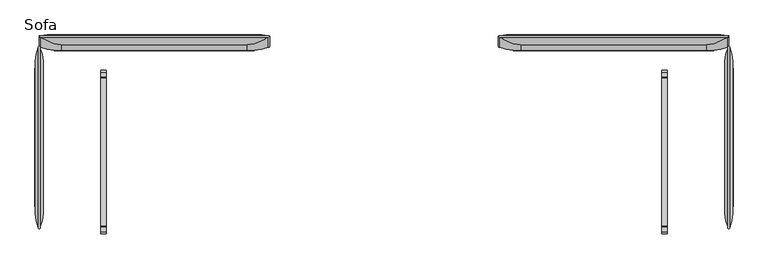
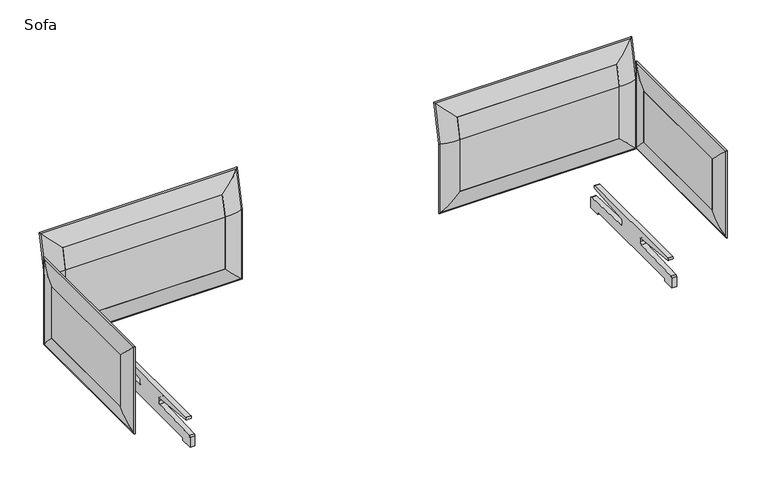
"""IFC4 building model written with IfcOpenShell, lengths in millimetres: furniture geometry, Sofa."""

from ifc_helpers import new_model, si_unit, point, frame, frame_2d, origin, place, context, project, spatial, polyline, circle_curve, ellipse_curve, trimmed, segment, composite_curve, outline, extrude, source, transform, mapped, element, save
from ifc_brep_helpers import plane_surface, cylinder_surface, advanced_brep


def sofa_ffcd8a0a(model_context):
    return source(origin(), model_context, "Body", "SolidModel", [
        advanced_brep(
        [(1524.9325846, 434.791915, 160.8686683), (1524.9325846, 441.508085, 160.8686683), (1524.9325846, 441.508085, 535.118038), (1524.9325846, 434.791915, 535.8533616), (1431.8012529, 420.0470019, 254.0), (1431.8012529, 420.0470019, 537.4677167), (1431.8012529, 456.2529981, 254.0), (1431.8012529, 444.0363367, 645.7092667), (1431.8012529, 479.3846058, 637.8751081), (1431.8012529, 456.2529981, 533.503683), (1524.9325846, 485.1405159, 731.9906058), (1524.9325846, 478.5834533, 733.4438331), (513.2936683, 485.1405159, 731.9906058), (513.2936683, 478.5834533, 733.4438331), (606.425, 444.0363367, 645.7092667), (606.425, 479.3846058, 637.8751081), (513.2936683, 441.508085, 535.118038), (513.2936683, 434.791915, 535.8533616), (606.425, 420.0470019, 537.4677167), (606.425, 420.0470019, 254.0), (606.425, 456.2529981, 254.0), (606.425, 456.2529981, 533.503683), (513.2936683, 441.508085, 160.8686683), (513.2936683, 434.791915, 160.8686683)],
        [
            (0, 1, ellipse_curve(frame((1526.5506984, 438.15, 159.2505545), z_axis=(0.7071067811865478, 0.0, 0.7071067811865474), x_axis=(0.7071067811865474, 0.0, -0.7071067811865476)), 5.2716273, 3.7276034)),
            (1, 2),
            (2, 3, ellipse_curve(frame((1526.5506984, 438.15, 535.4856998), z_axis=(0.0, -0.1088351909109808, -0.9940598076672098), x_axis=(0.0, 0.9940598076672097, -0.10883519091098363)), 3.7498784, 3.7276034)),
            (3, 0),
            (4, 0, ellipse_curve(frame((1450.4979816, 603.4443158, 235.3032714), z_axis=(0.7071067811865478, 0.0, 0.7071067811865474), x_axis=(0.7071067811865474, 0.0, -0.7071067811865476)), 260.707278, 184.3478842)),
            (3, 5, ellipse_curve(frame((1450.4979816, 603.4443158, 517.3883598), z_axis=(0.0, -0.1088351909109808, -0.9940598076672098), x_axis=(0.0, 0.9940598076672097, -0.10883519091098363)), 185.4494898, 184.3478842)),
            (5, 4),
            (6, 4),
            (5, 7),
            (7, 8),
            (8, 9),
            (9, 6),
            (1, 6, ellipse_curve(frame((1450.4979816, 272.8556842, 235.3032714), z_axis=(0.7071067811865478, 0.0, 0.7071067811865474), x_axis=(0.7071067811865474, 0.0, -0.7071067811865476)), 260.707278, 184.3478842)),
            (9, 2, ellipse_curve(frame((1450.4979816, 272.8556842, 553.5830399), z_axis=(0.0, -0.1088351909109808, -0.9940598076672098), x_axis=(0.0, 0.9940598076672097, -0.10883519091098363)), 185.4494898, 184.3478842)),
            (2, 10),
            (10, 11, ellipse_curve(frame((1526.5506984, 482.2121078, 734.2969999), z_axis=(0.7071067811865469, -0.15300191120052808, -0.6903552818433322), x_axis=(-0.7071067811865481, -0.15300191120052536, -0.6903552818433315)), 5.2716273, 3.7276034)),
            (11, 3),
            (11, 7, ellipse_curve(frame((1450.4979816, 627.1344811, 624.2800362), z_axis=(0.7071067811865469, -0.15300191120052808, -0.6903552818433322), x_axis=(-0.7071067811865481, -0.15300191120052536, -0.6903552818433315)), 260.707278, 184.3478842)),
            (8, 10, ellipse_curve(frame((1450.4979816, 304.3775596, 695.8119375), z_axis=(0.7071067811865469, -0.15300191120052808, -0.6903552818433322), x_axis=(-0.7071067811865481, -0.15300191120052536, -0.6903552818433315)), 260.707278, 184.3478842)),
            (10, 12),
            (12, 13, ellipse_curve(frame((511.6755545, 482.2121078, 734.2969999), z_axis=(0.7071067811865481, 0.15300191120052536, 0.6903552818433316), x_axis=(0.7071067811865468, -0.15300191120052803, -0.6903552818433321)), 5.2716273, 3.7276034)),
            (13, 11),
            (13, 14, ellipse_curve(frame((587.7282714, 627.1344811, 624.2800362), z_axis=(0.7071067811865481, 0.15300191120052536, 0.6903552818433316), x_axis=(0.7071067811865468, -0.15300191120052803, -0.6903552818433321)), 260.707278, 184.3478842)),
            (14, 7),
            (14, 15),
            (15, 8),
            (15, 12, ellipse_curve(frame((587.7282714, 304.3775596, 695.8119375), z_axis=(0.7071067811865481, 0.15300191120052536, 0.6903552818433316), x_axis=(0.7071067811865468, -0.15300191120052803, -0.6903552818433321)), 260.707278, 184.3478842)),
            (12, 16),
            (16, 17, ellipse_curve(frame((511.6755545, 438.15, 535.4856998), z_axis=(0.0, 0.10883519091098079, 0.99405980766721), x_axis=(0.0, 0.9940598076672099, -0.10883519091098157)), 3.7498784, 3.7276034)),
            (17, 13),
            (17, 18, ellipse_curve(frame((587.7282714, 603.4443158, 517.3883598), z_axis=(0.0, 0.10883519091098079, 0.99405980766721), x_axis=(0.0, 0.9940598076672099, -0.10883519091098157)), 185.4494898, 184.3478842)),
            (18, 14),
            (18, 19),
            (19, 20),
            (20, 21),
            (21, 15),
            (21, 16, ellipse_curve(frame((587.7282714, 272.8556842, 553.5830399), z_axis=(0.0, 0.10883519091098079, 0.99405980766721), x_axis=(0.0, 0.9940598076672099, -0.10883519091098157)), 185.4494898, 184.3478842)),
            (16, 22),
            (22, 23, ellipse_curve(frame((511.6755545, 438.15, 159.2505545), z_axis=(-0.7071067811865474, 0.0, 0.7071067811865476), x_axis=(0.7071067811865475, 0.0, 0.7071067811865475)), 5.2716273, 3.7276034)),
            (23, 17),
            (23, 19, ellipse_curve(frame((587.7282714, 603.4443158, 235.3032714), z_axis=(-0.7071067811865474, 0.0, 0.7071067811865476), x_axis=(0.7071067811865475, 0.0, 0.7071067811865475)), 260.707278, 184.3478842)),
            (20, 22, ellipse_curve(frame((587.7282714, 272.8556842, 235.3032714), z_axis=(-0.7071067811865474, 0.0, 0.7071067811865476), x_axis=(0.7071067811865475, 0.0, 0.7071067811865475)), 260.707278, 184.3478842)),
            (22, 1),
            (0, 23),
            (4, 19),
            (6, 20),
        ],
        [
            cylinder_surface(frame((1526.5506984, 438.15, 254.0), z_axis=(0.0, 0.0, -1.0), x_axis=(0.0, -1.0, 0.0)), 3.7276034),
            cylinder_surface(frame((1450.4979816, 603.4443158, 254.0), z_axis=(0.0, 0.0, -1.0), x_axis=(0.0, -1.0, 0.0)), 184.3478842),
            plane_surface(frame((1431.8012529, 420.0470019, 254.0), z_axis=(-1.0, 0.0, 0.0), x_axis=(0.0, 0.0, 1.0))),
            cylinder_surface(frame((1450.4979816, 272.8556842, 254.0), z_axis=(0.0, 0.0, -1.0), x_axis=(0.0, -1.0, 0.0)), 184.3478842),
            cylinder_surface(frame((1526.5506984, 438.5788636, 537.4207623), z_axis=(0.0, -0.21637737788878886, -0.9763098024387404), x_axis=(0.0, -0.9763098024387404, 0.21637737788878886)), 3.7276034),
            cylinder_surface(frame((1450.4979816, 599.9573244, 501.6548117), z_axis=(0.0, -0.21637737788878886, -0.9763098024387404), x_axis=(0.0, -0.9763098024387404, 0.21637737788878886)), 184.3478842),
            cylinder_surface(frame((1450.4979816, 277.2004028, 573.1867129), z_axis=(0.0, -0.21637737788878886, -0.9763098024387404), x_axis=(0.0, -0.9763098024387404, 0.21637737788878886)), 184.3478842),
            cylinder_surface(frame((1431.8012529, 482.2121078, 734.2969999), z_axis=(1.0000000000000002, 0.0, 0.0), x_axis=(0.0, -0.97630980243874, 0.21637737788879094)), 3.7276034),
            cylinder_surface(frame((1431.8012529, 627.1344811, 624.2800362), z_axis=(1.0000000000000002, 0.0, 0.0), x_axis=(0.0, -0.97630980243874, 0.21637737788879094)), 184.3478842),
            plane_surface(frame((1431.8012529, 444.0363367, 645.7092667), z_axis=(0.0, -0.21637737788879094, -0.97630980243874), x_axis=(-1.0, 0.0, 0.0))),
            cylinder_surface(frame((1431.8012529, 304.3775596, 695.8119375), z_axis=(1.0000000000000002, 0.0, 0.0), x_axis=(0.0, -0.97630980243874, 0.21637737788879094)), 184.3478842),
            cylinder_surface(frame((511.6755545, 461.7104712, 641.7921874), z_axis=(0.0, 0.21637737788878883, 0.9763098024387404), x_axis=(0.0, -0.9763098024387404, 0.21637737788878883)), 3.7276034),
            cylinder_surface(frame((587.7282714, 623.088932, 606.0262368), z_axis=(0.0, 0.21637737788878883, 0.9763098024387404), x_axis=(0.0, -0.9763098024387404, 0.21637737788878883)), 184.3478842),
            plane_surface(frame((606.425, 444.0363367, 645.7092667), z_axis=(1.0, 0.0, 0.0), x_axis=(0.0, -0.21637737788878877, -0.9763098024387404))),
            cylinder_surface(frame((587.7282714, 300.3320105, 677.558138), z_axis=(0.0, 0.21637737788878883, 0.9763098024387404), x_axis=(0.0, -0.9763098024387404, 0.21637737788878883)), 184.3478842),
            cylinder_surface(frame((511.6755545, 438.15, 533.503683), z_axis=(0.0, 0.0, 1.0), x_axis=(0.0, -1.0, 0.0)), 3.7276034),
            cylinder_surface(frame((587.7282714, 603.4443158, 533.503683), z_axis=(0.0, 0.0, 1.0), x_axis=(0.0, -1.0, 0.0)), 184.3478842),
            cylinder_surface(frame((587.7282714, 272.8556842, 533.503683), z_axis=(0.0, 0.0, 1.0), x_axis=(0.0, -1.0, 0.0)), 184.3478842),
            cylinder_surface(frame((606.425, 438.15, 159.2505545), z_axis=(-1.0, 0.0, 0.0), x_axis=(0.0, -1.0, 0.0)), 3.7276034),
            cylinder_surface(frame((606.425, 603.4443158, 235.3032714), z_axis=(-1.0, 0.0, 0.0), x_axis=(0.0, -1.0, 0.0)), 184.3478842),
            plane_surface(frame((606.425, 420.0470019, 254.0), z_axis=(0.0, 0.0, 1.0), x_axis=(1.0, 0.0, 0.0))),
            cylinder_surface(frame((606.425, 272.8556842, 235.3032714), z_axis=(-1.0, 0.0, 0.0), x_axis=(0.0, -1.0, 0.0)), 184.3478842),
        ],
        [
            (0, [[1, 2, 3, 4]]),
            (1, [[5, -4, 6, 7]]),
            (2, [[8, -7, 9, 10, 11, 12]]),
            (3, [[13, -12, 14, -2]]),
            (4, [[-3, 15, 16, 17]]),
            (5, [[-6, -17, 18, -9]]),
            (6, [[-14, -11, 19, -15]]),
            (7, [[-16, 20, 21, 22]]),
            (8, [[-18, -22, 23, 24]]),
            (9, [[-10, -24, 25, 26]]),
            (10, [[-19, -26, 27, -20]]),
            (11, [[-21, 28, 29, 30]]),
            (12, [[-23, -30, 31, 32]]),
            (13, [[-25, -32, 33, 34, 35, 36]]),
            (14, [[-27, -36, 37, -28]]),
            (15, [[-29, 38, 39, 40]]),
            (16, [[-31, -40, 41, -33]]),
            (17, [[-37, -35, 42, -38]]),
            (18, [[-39, 43, -1, 44]]),
            (19, [[-41, -44, -5, 45]]),
            (20, [[-34, -45, -8, 46]]),
            (21, [[-42, -46, -13, -43]]),
        ],
    ),
        extrude(outline(polyline([(456.2529981, 533.503683), (456.2529981, 254.0), (420.0470019, 254.0), (420.0470019, 537.4677167), (444.0363367, 645.7092667), (479.3846058, 637.8751081), (456.2529981, 533.503683)])), frame((606.425, 0.0, 0.0), z_axis=(1.0, 0.0, 0.0), x_axis=(0.0, 1.0, 0.0)), (0.0, 0.0, 1.0), 825.3762529),
        advanced_brep(
        [(-513.4174154, 434.791915, 160.8686683), (-513.4174154, 441.508085, 160.8686683), (-513.4174154, 441.508085, 535.118038), (-513.4174154, 434.791915, 535.8533616), (-606.5487471, 420.0470019, 254.0), (-606.5487471, 420.0470019, 537.4677167), (-606.5487471, 456.2529981, 254.0), (-606.5487471, 444.0363367, 645.7092667), (-606.5487471, 479.3846058, 637.8751081), (-606.5487471, 456.2529981, 533.503683), (-513.4174154, 485.1405159, 731.9906058), (-513.4174154, 478.5834533, 733.4438331), (-1525.0563317, 485.1405159, 731.9906058), (-1525.0563317, 478.5834533, 733.4438331), (-1431.925, 444.0363367, 645.7092667), (-1431.925, 479.3846058, 637.8751081), (-1525.0563317, 441.508085, 535.118038), (-1525.0563317, 434.791915, 535.8533616), (-1431.925, 420.0470019, 537.4677167), (-1431.925, 420.0470019, 254.0), (-1431.925, 456.2529981, 254.0), (-1431.925, 456.2529981, 533.503683), (-1525.0563317, 441.508085, 160.8686683), (-1525.0563317, 434.791915, 160.8686683)],
        [
            (0, 1, ellipse_curve(frame((-511.7993016, 438.15, 159.2505545), z_axis=(0.7071067811865478, 0.0, 0.7071067811865474), x_axis=(0.7071067811865474, 0.0, -0.7071067811865476)), 5.2716273, 3.7276034)),
            (1, 2),
            (2, 3, ellipse_curve(frame((-511.7993016, 438.15, 535.4856998), z_axis=(0.0, -0.1088351909109808, -0.9940598076672098), x_axis=(0.0, 0.9940598076672097, -0.10883519091098363)), 3.7498784, 3.7276034)),
            (3, 0),
            (4, 0, ellipse_curve(frame((-587.8520184, 603.4443158, 235.3032714), z_axis=(0.7071067811865478, 0.0, 0.7071067811865474), x_axis=(0.7071067811865474, 0.0, -0.7071067811865476)), 260.707278, 184.3478842)),
            (3, 5, ellipse_curve(frame((-587.8520184, 603.4443158, 517.3883598), z_axis=(0.0, -0.1088351909109808, -0.9940598076672098), x_axis=(0.0, 0.9940598076672097, -0.10883519091098363)), 185.4494898, 184.3478842)),
            (5, 4),
            (6, 4),
            (5, 7),
            (7, 8),
            (8, 9),
            (9, 6),
            (1, 6, ellipse_curve(frame((-587.8520184, 272.8556842, 235.3032714), z_axis=(0.7071067811865478, 0.0, 0.7071067811865474), x_axis=(0.7071067811865474, 0.0, -0.7071067811865476)), 260.707278, 184.3478842)),
            (9, 2, ellipse_curve(frame((-587.8520184, 272.8556842, 553.5830399), z_axis=(0.0, -0.1088351909109808, -0.9940598076672098), x_axis=(0.0, 0.9940598076672097, -0.10883519091098363)), 185.4494898, 184.3478842)),
            (2, 10),
            (10, 11, ellipse_curve(frame((-511.7993016, 482.2121078, 734.2969999), z_axis=(0.7071067811865469, -0.15300191120052808, -0.6903552818433322), x_axis=(-0.7071067811865481, -0.15300191120052536, -0.6903552818433315)), 5.2716273, 3.7276034)),
            (11, 3),
            (11, 7, ellipse_curve(frame((-587.8520184, 627.1344811, 624.2800362), z_axis=(0.7071067811865469, -0.15300191120052808, -0.6903552818433322), x_axis=(-0.7071067811865481, -0.15300191120052536, -0.6903552818433315)), 260.707278, 184.3478842)),
            (8, 10, ellipse_curve(frame((-587.8520184, 304.3775596, 695.8119375), z_axis=(0.7071067811865469, -0.15300191120052808, -0.6903552818433322), x_axis=(-0.7071067811865481, -0.15300191120052536, -0.6903552818433315)), 260.707278, 184.3478842)),
            (10, 12),
            (12, 13, ellipse_curve(frame((-1526.6744455, 482.2121078, 734.2969999), z_axis=(0.7071067811865481, 0.15300191120052536, 0.6903552818433316), x_axis=(0.7071067811865468, -0.15300191120052803, -0.6903552818433321)), 5.2716273, 3.7276034)),
            (13, 11),
            (13, 14, ellipse_curve(frame((-1450.6217286, 627.1344811, 624.2800362), z_axis=(0.7071067811865481, 0.15300191120052536, 0.6903552818433316), x_axis=(0.7071067811865468, -0.15300191120052803, -0.6903552818433321)), 260.707278, 184.3478842)),
            (14, 7),
            (14, 15),
            (15, 8),
            (15, 12, ellipse_curve(frame((-1450.6217286, 304.3775596, 695.8119375), z_axis=(0.7071067811865481, 0.15300191120052536, 0.6903552818433316), x_axis=(0.7071067811865468, -0.15300191120052803, -0.6903552818433321)), 260.707278, 184.3478842)),
            (12, 16),
            (16, 17, ellipse_curve(frame((-1526.6744455, 438.15, 535.4856998), z_axis=(0.0, 0.10883519091098079, 0.99405980766721), x_axis=(0.0, 0.9940598076672099, -0.10883519091098157)), 3.7498784, 3.7276034)),
            (17, 13),
            (17, 18, ellipse_curve(frame((-1450.6217286, 603.4443158, 517.3883598), z_axis=(0.0, 0.10883519091098079, 0.99405980766721), x_axis=(0.0, 0.9940598076672099, -0.10883519091098157)), 185.4494898, 184.3478842)),
            (18, 14),
            (18, 19),
            (19, 20),
            (20, 21),
            (21, 15),
            (21, 16, ellipse_curve(frame((-1450.6217286, 272.8556842, 553.5830399), z_axis=(0.0, 0.10883519091098079, 0.99405980766721), x_axis=(0.0, 0.9940598076672099, -0.10883519091098157)), 185.4494898, 184.3478842)),
            (16, 22),
            (22, 23, ellipse_curve(frame((-1526.6744455, 438.15, 159.2505545), z_axis=(-0.7071067811865474, 0.0, 0.7071067811865476), x_axis=(0.7071067811865475, 0.0, 0.7071067811865475)), 5.2716273, 3.7276034)),
            (23, 17),
            (23, 19, ellipse_curve(frame((-1450.6217286, 603.4443158, 235.3032714), z_axis=(-0.7071067811865474, 0.0, 0.7071067811865476), x_axis=(0.7071067811865475, 0.0, 0.7071067811865475)), 260.707278, 184.3478842)),
            (20, 22, ellipse_curve(frame((-1450.6217286, 272.8556842, 235.3032714), z_axis=(-0.7071067811865474, 0.0, 0.7071067811865476), x_axis=(0.7071067811865475, 0.0, 0.7071067811865475)), 260.707278, 184.3478842)),
            (22, 1),
            (0, 23),
            (4, 19),
            (6, 20),
        ],
        [
            cylinder_surface(frame((-511.7993016, 438.15, 254.0), z_axis=(0.0, 0.0, -1.0), x_axis=(0.0, -1.0, 0.0)), 3.7276034),
            cylinder_surface(frame((-587.8520184, 603.4443158, 254.0), z_axis=(0.0, 0.0, -1.0), x_axis=(0.0, -1.0, 0.0)), 184.3478842),
            plane_surface(frame((-606.5487471, 420.0470019, 254.0), z_axis=(-1.0, 0.0, 0.0), x_axis=(0.0, 0.0, 1.0))),
            cylinder_surface(frame((-587.8520184, 272.8556842, 254.0), z_axis=(0.0, 0.0, -1.0), x_axis=(0.0, -1.0, 0.0)), 184.3478842),
            cylinder_surface(frame((-511.7993016, 438.5788636, 537.4207623), z_axis=(0.0, -0.21637737788878886, -0.9763098024387404), x_axis=(0.0, -0.9763098024387404, 0.21637737788878886)), 3.7276034),
            cylinder_surface(frame((-587.8520184, 599.9573244, 501.6548117), z_axis=(0.0, -0.21637737788878886, -0.9763098024387404), x_axis=(0.0, -0.9763098024387404, 0.21637737788878886)), 184.3478842),
            cylinder_surface(frame((-587.8520184, 277.2004028, 573.1867129), z_axis=(0.0, -0.21637737788878886, -0.9763098024387404), x_axis=(0.0, -0.9763098024387404, 0.21637737788878886)), 184.3478842),
            cylinder_surface(frame((-606.5487471, 482.2121078, 734.2969999), z_axis=(1.0000000000000002, 0.0, 0.0), x_axis=(0.0, -0.97630980243874, 0.21637737788879094)), 3.7276034),
            cylinder_surface(frame((-606.5487471, 627.1344811, 624.2800362), z_axis=(1.0000000000000002, 0.0, 0.0), x_axis=(0.0, -0.97630980243874, 0.21637737788879094)), 184.3478842),
            plane_surface(frame((-606.5487471, 444.0363367, 645.7092667), z_axis=(0.0, -0.21637737788879094, -0.97630980243874), x_axis=(-1.0, 0.0, 0.0))),
            cylinder_surface(frame((-606.5487471, 304.3775596, 695.8119375), z_axis=(1.0000000000000002, 0.0, 0.0), x_axis=(0.0, -0.97630980243874, 0.21637737788879094)), 184.3478842),
            cylinder_surface(frame((-1526.6744455, 461.7104712, 641.7921874), z_axis=(0.0, 0.21637737788878883, 0.9763098024387404), x_axis=(0.0, -0.9763098024387404, 0.21637737788878883)), 3.7276034),
            cylinder_surface(frame((-1450.6217286, 623.088932, 606.0262368), z_axis=(0.0, 0.21637737788878883, 0.9763098024387404), x_axis=(0.0, -0.9763098024387404, 0.21637737788878883)), 184.3478842),
            plane_surface(frame((-1431.925, 444.0363367, 645.7092667), z_axis=(1.0, 0.0, 0.0), x_axis=(0.0, -0.21637737788878877, -0.9763098024387404))),
            cylinder_surface(frame((-1450.6217286, 300.3320105, 677.558138), z_axis=(0.0, 0.21637737788878883, 0.9763098024387404), x_axis=(0.0, -0.9763098024387404, 0.21637737788878883)), 184.3478842),
            cylinder_surface(frame((-1526.6744455, 438.15, 533.503683), z_axis=(0.0, 0.0, 1.0), x_axis=(0.0, -1.0, 0.0)), 3.7276034),
            cylinder_surface(frame((-1450.6217286, 603.4443158, 533.503683), z_axis=(0.0, 0.0, 1.0), x_axis=(0.0, -1.0, 0.0)), 184.3478842),
            cylinder_surface(frame((-1450.6217286, 272.8556842, 533.503683), z_axis=(0.0, 0.0, 1.0), x_axis=(0.0, -1.0, 0.0)), 184.3478842),
            cylinder_surface(frame((-1431.925, 438.15, 159.2505545), z_axis=(-1.0, 0.0, 0.0), x_axis=(0.0, -1.0, 0.0)), 3.7276034),
            cylinder_surface(frame((-1431.925, 603.4443158, 235.3032714), z_axis=(-1.0, 0.0, 0.0), x_axis=(0.0, -1.0, 0.0)), 184.3478842),
            plane_surface(frame((-1431.925, 420.0470019, 254.0), z_axis=(0.0, 0.0, 1.0), x_axis=(1.0, 0.0, 0.0))),
            cylinder_surface(frame((-1431.925, 272.8556842, 235.3032714), z_axis=(-1.0, 0.0, 0.0), x_axis=(0.0, -1.0, 0.0)), 184.3478842),
        ],
        [
            (0, [[1, 2, 3, 4]]),
            (1, [[5, -4, 6, 7]]),
            (2, [[8, -7, 9, 10, 11, 12]]),
            (3, [[13, -12, 14, -2]]),
            (4, [[-3, 15, 16, 17]]),
            (5, [[-6, -17, 18, -9]]),
            (6, [[-14, -11, 19, -15]]),
            (7, [[-16, 20, 21, 22]]),
            (8, [[-18, -22, 23, 24]]),
            (9, [[-10, -24, 25, 26]]),
            (10, [[-19, -26, 27, -20]]),
            (11, [[-21, 28, 29, 30]]),
            (12, [[-23, -30, 31, 32]]),
            (13, [[-25, -32, 33, 34, 35, 36]]),
            (14, [[-27, -36, 37, -28]]),
            (15, [[-29, 38, 39, 40]]),
            (16, [[-31, -40, 41, -33]]),
            (17, [[-37, -35, 42, -38]]),
            (18, [[-39, 43, -1, 44]]),
            (19, [[-41, -44, -5, 45]]),
            (20, [[-34, -45, -8, 46]]),
            (21, [[-42, -46, -13, -43]]),
        ],
    ),
        extrude(outline(polyline([(456.2529981, 533.503683), (456.2529981, 254.0), (420.0470019, 254.0), (420.0470019, 537.4677167), (444.0363367, 645.7092667), (479.3846058, 637.8751081), (456.2529981, 533.503683)])), frame((-1431.925, 0.0, 0.0), z_axis=(1.0, 0.0, 0.0), x_axis=(0.0, 1.0, 0.0)), (0.0, 0.0, 1.0), 825.3762529),
        advanced_brep(
        [(1512.2470019, -273.05, 533.4), (1512.2470019, -273.05, 254.0), (1526.991915, -366.1813317, 160.8686683), (1526.991915, -366.1813317, 626.5313317), (1548.4529981, -273.05, 533.4), (1548.4529981, -273.05, 254.0), (1533.708085, -366.1813317, 626.5313317), (1533.708085, -366.1813317, 160.8686683), (1512.2470019, 339.725, 254.0), (1526.991915, 432.8563317, 160.8686683), (1548.4529981, 339.725, 254.0), (1533.708085, 432.8563317, 160.8686683), (1512.2470019, 339.725, 533.4), (1526.991915, 432.8563317, 626.5313317), (1548.4529981, 339.725, 533.4), (1533.708085, 432.8563317, 626.5313317)],
        [
            (0, 1),
            (1, 2, ellipse_curve(frame((1695.6443158, -291.7467286, 235.3032714), z_axis=(0.0, -0.7071067811865475, 0.7071067811865475), x_axis=(0.0, 0.7071067811865474, 0.7071067811865476)), 260.707278, 184.3478842)),
            (2, 3),
            (3, 0, ellipse_curve(frame((1695.6443158, -291.7467286, 552.0967286), z_axis=(0.0, -0.7071067811865475, -0.7071067811865475), x_axis=(0.0, -0.7071067811865474, 0.7071067811865476)), 260.707278, 184.3478842)),
            (4, 5),
            (5, 1),
            (0, 4),
            (6, 7),
            (7, 5, ellipse_curve(frame((1365.0556842, -291.7467286, 235.3032714), z_axis=(0.0, -0.7071067811865475, 0.7071067811865475), x_axis=(0.0, 0.7071067811865474, 0.7071067811865476)), 260.707278, 184.3478842)),
            (4, 6, ellipse_curve(frame((1365.0556842, -291.7467286, 552.0967286), z_axis=(0.0, -0.7071067811865475, -0.7071067811865475), x_axis=(0.0, -0.7071067811865474, 0.7071067811865476)), 260.707278, 184.3478842)),
            (2, 7, ellipse_curve(frame((1530.35, -367.7994455, 159.2505545), z_axis=(0.0, -0.7071067811865475, 0.7071067811865475), x_axis=(0.0, 0.7071067811865474, 0.7071067811865476)), 5.2716273, 3.7276034)),
            (6, 3, ellipse_curve(frame((1530.35, -367.7994455, 628.1494455), z_axis=(0.0, -0.7071067811865475, -0.7071067811865475), x_axis=(0.0, -0.7071067811865474, 0.7071067811865476)), 5.2716273, 3.7276034)),
            (1, 8),
            (8, 9, ellipse_curve(frame((1695.6443158, 358.4217286, 235.3032714), z_axis=(0.0, -0.7071067811865475, -0.7071067811865475), x_axis=(0.0, -0.7071067811865476, 0.7071067811865474)), 260.707278, 184.3478842)),
            (9, 2),
            (5, 10),
            (10, 8),
            (7, 11),
            (11, 10, ellipse_curve(frame((1365.0556842, 358.4217286, 235.3032714), z_axis=(0.0, -0.7071067811865475, -0.7071067811865475), x_axis=(0.0, -0.7071067811865476, 0.7071067811865474)), 260.707278, 184.3478842)),
            (9, 11, ellipse_curve(frame((1530.35, 434.4744455, 159.2505545), z_axis=(0.0, -0.7071067811865475, -0.7071067811865475), x_axis=(0.0, -0.7071067811865476, 0.7071067811865474)), 5.2716273, 3.7276034)),
            (8, 12),
            (12, 13, ellipse_curve(frame((1695.6443158, 358.4217286, 552.0967286), z_axis=(0.0, 0.7071067811865475, -0.7071067811865475), x_axis=(0.0, -0.7071067811865474, -0.7071067811865476)), 260.707278, 184.3478842)),
            (13, 9),
            (10, 14),
            (14, 12),
            (11, 15),
            (15, 14, ellipse_curve(frame((1365.0556842, 358.4217286, 552.0967286), z_axis=(0.0, 0.7071067811865475, -0.7071067811865475), x_axis=(0.0, -0.7071067811865474, -0.7071067811865476)), 260.707278, 184.3478842)),
            (13, 15, ellipse_curve(frame((1530.35, 434.4744455, 628.1494455), z_axis=(0.0, 0.7071067811865475, -0.7071067811865475), x_axis=(0.0, -0.7071067811865474, -0.7071067811865476)), 5.2716273, 3.7276034)),
            (12, 0),
            (3, 13),
            (14, 4),
            (15, 6),
        ],
        [
            cylinder_surface(frame((1695.6443158, -291.7467286, 533.4), z_axis=(0.0, 0.0, 1.0), x_axis=(-1.0, 0.0, 0.0)), 184.3478842),
            plane_surface(frame((1512.2470019, -273.05, 533.4), z_axis=(0.0, 1.0, 0.0), x_axis=(0.0, 0.0, -1.0))),
            cylinder_surface(frame((1365.0556842, -291.7467286, 533.4), z_axis=(0.0, 0.0, 1.0), x_axis=(-1.0, 0.0, 0.0)), 184.3478842),
            cylinder_surface(frame((1530.35, -367.7994455, 533.4), z_axis=(0.0, 0.0, 1.0), x_axis=(-1.0, 0.0, 0.0)), 3.7276034),
            cylinder_surface(frame((1695.6443158, -273.05, 235.3032714), z_axis=(0.0, -1.0, 0.0), x_axis=(-1.0, 0.0, 0.0)), 184.3478842),
            plane_surface(frame((1512.2470019, -273.05, 254.0), z_axis=(0.0, 0.0, 1.0), x_axis=(0.0, 1.0, 0.0))),
            cylinder_surface(frame((1365.0556842, -273.05, 235.3032714), z_axis=(0.0, -1.0, 0.0), x_axis=(-1.0, 0.0, 0.0)), 184.3478842),
            cylinder_surface(frame((1530.35, -273.05, 159.2505545), z_axis=(0.0, -1.0, 0.0), x_axis=(-1.0, 0.0, 0.0)), 3.7276034),
            cylinder_surface(frame((1695.6443158, 358.4217286, 254.0), z_axis=(0.0, 0.0, -1.0), x_axis=(-1.0, 0.0, 0.0)), 184.3478842),
            plane_surface(frame((1512.2470019, 339.725, 254.0), z_axis=(0.0, -1.0, 0.0), x_axis=(0.0, 0.0, 1.0))),
            cylinder_surface(frame((1365.0556842, 358.4217286, 254.0), z_axis=(0.0, 0.0, -1.0), x_axis=(-1.0, 0.0, 0.0)), 184.3478842),
            cylinder_surface(frame((1530.35, 434.4744455, 254.0), z_axis=(0.0, 0.0, -1.0), x_axis=(-1.0, 0.0, 0.0)), 3.7276034),
            cylinder_surface(frame((1695.6443158, 339.725, 552.0967286), z_axis=(0.0, 1.0, 0.0), x_axis=(-1.0, 0.0, 0.0)), 184.3478842),
            plane_surface(frame((1512.2470019, 339.725, 533.4), z_axis=(0.0, 0.0, -1.0), x_axis=(0.0, -1.0, 0.0))),
            cylinder_surface(frame((1365.0556842, 339.725, 552.0967286), z_axis=(0.0, 1.0, 0.0), x_axis=(-1.0, 0.0, 0.0)), 184.3478842),
            cylinder_surface(frame((1530.35, 339.725, 628.1494455), z_axis=(0.0, 1.0, 0.0), x_axis=(-1.0, 0.0, 0.0)), 3.7276034),
        ],
        [
            (0, [[1, 2, 3, 4]]),
            (1, [[5, 6, -1, 7]]),
            (2, [[8, 9, -5, 10]]),
            (3, [[-3, 11, -8, 12]]),
            (4, [[13, 14, 15, -2]]),
            (5, [[16, 17, -13, -6]]),
            (6, [[18, 19, -16, -9]]),
            (7, [[-15, 20, -18, -11]]),
            (8, [[21, 22, 23, -14]]),
            (9, [[24, 25, -21, -17]]),
            (10, [[26, 27, -24, -19]]),
            (11, [[-23, 28, -26, -20]]),
            (12, [[29, -4, 30, -22]]),
            (13, [[31, -7, -29, -25]]),
            (14, [[32, -10, -31, -27]]),
            (15, [[-30, -12, -32, -28]]),
        ],
    ),
        extrude(outline(polyline([(1549.4, 339.725), (1549.4, -273.05), (1511.3, -273.05), (1511.3, 339.725), (1549.4, 339.725)])), frame((0.0, 0.0, 254.0), z_axis=(0.0, 0.0, 1.0), x_axis=(1.0, 0.0, 0.0)), (0.0, 0.0, 1.0), 279.4),
        advanced_brep(
        [(-1512.2470019, -273.05, 533.4), (-1526.991915, -366.1813317, 626.5313317), (-1526.991915, -366.1813317, 160.8686683), (-1512.2470019, -273.05, 254.0), (-1548.4529981, -273.05, 533.4), (-1548.4529981, -273.05, 254.0), (-1533.708085, -366.1813317, 626.5313317), (-1533.708085, -366.1813317, 160.8686683), (-1526.991915, 432.8563317, 160.8686683), (-1512.2470019, 339.725, 254.0), (-1548.4529981, 339.725, 254.0), (-1533.708085, 432.8563317, 160.8686683), (-1526.991915, 432.8563317, 626.5313317), (-1512.2470019, 339.725, 533.4), (-1548.4529981, 339.725, 533.4), (-1533.708085, 432.8563317, 626.5313317)],
        [
            (0, 1, ellipse_curve(frame((-1695.6443158, -291.7467286, 552.0967286), z_axis=(0.0, -0.7071067811865475, -0.7071067811865475), x_axis=(0.0, -0.7071067811865474, 0.7071067811865476)), 260.707278, 184.3478842)),
            (1, 2),
            (2, 3, ellipse_curve(frame((-1695.6443158, -291.7467286, 235.3032714), z_axis=(0.0, -0.7071067811865475, 0.7071067811865475), x_axis=(0.0, 0.7071067811865474, 0.7071067811865476)), 260.707278, 184.3478842)),
            (3, 0),
            (4, 0),
            (3, 5),
            (5, 4),
            (6, 4, ellipse_curve(frame((-1365.0556842, -291.7467286, 552.0967286), z_axis=(0.0, -0.7071067811865475, -0.7071067811865475), x_axis=(0.0, -0.7071067811865474, 0.7071067811865476)), 260.707278, 184.3478842)),
            (5, 7, ellipse_curve(frame((-1365.0556842, -291.7467286, 235.3032714), z_axis=(0.0, -0.7071067811865475, 0.7071067811865475), x_axis=(0.0, 0.7071067811865474, 0.7071067811865476)), 260.707278, 184.3478842)),
            (7, 6),
            (1, 6, ellipse_curve(frame((-1530.35, -367.7994455, 628.1494455), z_axis=(0.0, -0.7071067811865475, -0.7071067811865475), x_axis=(0.0, -0.7071067811865474, 0.7071067811865476)), 5.2716273, 3.7276034)),
            (7, 2, ellipse_curve(frame((-1530.35, -367.7994455, 159.2505545), z_axis=(0.0, -0.7071067811865475, 0.7071067811865475), x_axis=(0.0, 0.7071067811865474, 0.7071067811865476)), 5.2716273, 3.7276034)),
            (2, 8),
            (8, 9, ellipse_curve(frame((-1695.6443158, 358.4217286, 235.3032714), z_axis=(0.0, -0.7071067811865475, -0.7071067811865475), x_axis=(0.0, -0.7071067811865476, 0.7071067811865474)), 260.707278, 184.3478842)),
            (9, 3),
            (9, 10),
            (10, 5),
            (10, 11, ellipse_curve(frame((-1365.0556842, 358.4217286, 235.3032714), z_axis=(0.0, -0.7071067811865475, -0.7071067811865475), x_axis=(0.0, -0.7071067811865476, 0.7071067811865474)), 260.707278, 184.3478842)),
            (11, 7),
            (11, 8, ellipse_curve(frame((-1530.35, 434.4744455, 159.2505545), z_axis=(0.0, -0.7071067811865475, -0.7071067811865475), x_axis=(0.0, -0.7071067811865476, 0.7071067811865474)), 5.2716273, 3.7276034)),
            (8, 12),
            (12, 13, ellipse_curve(frame((-1695.6443158, 358.4217286, 552.0967286), z_axis=(0.0, 0.7071067811865475, -0.7071067811865475), x_axis=(0.0, -0.7071067811865474, -0.7071067811865476)), 260.707278, 184.3478842)),
            (13, 9),
            (13, 14),
            (14, 10),
            (14, 15, ellipse_curve(frame((-1365.0556842, 358.4217286, 552.0967286), z_axis=(0.0, 0.7071067811865475, -0.7071067811865475), x_axis=(0.0, -0.7071067811865474, -0.7071067811865476)), 260.707278, 184.3478842)),
            (15, 11),
            (15, 12, ellipse_curve(frame((-1530.35, 434.4744455, 628.1494455), z_axis=(0.0, 0.7071067811865475, -0.7071067811865475), x_axis=(0.0, -0.7071067811865474, -0.7071067811865476)), 5.2716273, 3.7276034)),
            (12, 1),
            (0, 13),
            (4, 14),
            (6, 15),
        ],
        [
            cylinder_surface(frame((-1695.6443158, -291.7467286, 533.4), z_axis=(0.0, 0.0, 1.0), x_axis=(1.0, 0.0, 0.0)), 184.3478842),
            plane_surface(frame((-1512.2470019, -273.05, 533.4), z_axis=(0.0, 1.0, 0.0), x_axis=(0.0, 0.0, -1.0))),
            cylinder_surface(frame((-1365.0556842, -291.7467286, 533.4), z_axis=(0.0, 0.0, 1.0), x_axis=(1.0, 0.0, 0.0)), 184.3478842),
            cylinder_surface(frame((-1530.35, -367.7994455, 533.4), z_axis=(0.0, 0.0, 1.0), x_axis=(1.0, 0.0, 0.0)), 3.7276034),
            cylinder_surface(frame((-1695.6443158, -273.05, 235.3032714), z_axis=(0.0, -1.0, 0.0), x_axis=(1.0, 0.0, 0.0)), 184.3478842),
            plane_surface(frame((-1512.2470019, -273.05, 254.0), z_axis=(0.0, 0.0, 1.0), x_axis=(0.0, 1.0, 0.0))),
            cylinder_surface(frame((-1365.0556842, -273.05, 235.3032714), z_axis=(0.0, -1.0, 0.0), x_axis=(1.0, 0.0, 0.0)), 184.3478842),
            cylinder_surface(frame((-1530.35, -273.05, 159.2505545), z_axis=(0.0, -1.0, 0.0), x_axis=(1.0, 0.0, 0.0)), 3.7276034),
            cylinder_surface(frame((-1695.6443158, 358.4217286, 254.0), z_axis=(0.0, 0.0, -1.0), x_axis=(1.0, 0.0, 0.0)), 184.3478842),
            plane_surface(frame((-1512.2470019, 339.725, 254.0), z_axis=(0.0, -1.0, 0.0), x_axis=(0.0, 0.0, 1.0))),
            cylinder_surface(frame((-1365.0556842, 358.4217286, 254.0), z_axis=(0.0, 0.0, -1.0), x_axis=(1.0, 0.0, 0.0)), 184.3478842),
            cylinder_surface(frame((-1530.35, 434.4744455, 254.0), z_axis=(0.0, 0.0, -1.0), x_axis=(1.0, 0.0, 0.0)), 3.7276034),
            cylinder_surface(frame((-1695.6443158, 339.725, 552.0967286), z_axis=(0.0, 1.0, 0.0), x_axis=(1.0, 0.0, 0.0)), 184.3478842),
            plane_surface(frame((-1512.2470019, 339.725, 533.4), z_axis=(0.0, 0.0, -1.0), x_axis=(0.0, -1.0, 0.0))),
            cylinder_surface(frame((-1365.0556842, 339.725, 552.0967286), z_axis=(0.0, 1.0, 0.0), x_axis=(1.0, 0.0, 0.0)), 184.3478842),
            cylinder_surface(frame((-1530.35, 339.725, 628.1494455), z_axis=(0.0, 1.0, 0.0), x_axis=(1.0, 0.0, 0.0)), 3.7276034),
        ],
        [
            (0, [[1, 2, 3, 4]]),
            (1, [[5, -4, 6, 7]]),
            (2, [[8, -7, 9, 10]]),
            (3, [[11, -10, 12, -2]]),
            (4, [[-3, 13, 14, 15]]),
            (5, [[-6, -15, 16, 17]]),
            (6, [[-9, -17, 18, 19]]),
            (7, [[-12, -19, 20, -13]]),
            (8, [[-14, 21, 22, 23]]),
            (9, [[-16, -23, 24, 25]]),
            (10, [[-18, -25, 26, 27]]),
            (11, [[-20, -27, 28, -21]]),
            (12, [[-22, 29, -1, 30]]),
            (13, [[-24, -30, -5, 31]]),
            (14, [[-26, -31, -8, 32]]),
            (15, [[-28, -32, -11, -29]]),
        ],
    ),
        extrude(outline(polyline([(-1549.4, 339.725), (-1511.3, 339.725), (-1511.3, -273.05), (-1549.4, -273.05), (-1549.4, 339.725)])), frame((0.0, 0.0, 254.0), z_axis=(0.0, 0.0, 1.0), x_axis=(1.0, 0.0, 0.0)), (0.0, 0.0, 1.0), 279.4),
        extrude(outline(composite_curve([segment(trimmed(circle_curve(frame_2d((292.0775981, 135.0287131)), 8.2813281), [point((295.5748594, 142.5353474))], [point((294.9596526, 127.2650698))], False, "CARTESIAN"), True, "CONTINUOUS"), segment(polyline([(294.9596526, 127.2650698), (58.4496703, 105.9960919)]), True, "CONTINUOUS"), segment(trimmed(circle_curve(frame_2d((58.4496703, 97.554557)), 8.4415349), [point((58.4496703, 105.9960919))], [point((50.0081354, 97.554557))], True, "CARTESIAN"), True, "CONTINUOUS"), segment(polyline([(50.0081354, 97.554557), (50.0081354, 81.9730579)]), True, "CONTINUOUS"), segment(trimmed(circle_curve(frame_2d((60.5139157, 81.9730579)), 10.5057802), [point((50.0081354, 81.9730579))], [point((60.5139157, 71.4672776))], True, "CARTESIAN"), True, "CONTINUOUS"), segment(polyline([(60.5139157, 71.4672776), (323.6497619, 60.2417308)]), True, "CONTINUOUS"), segment(trimmed(circle_curve(frame_2d((323.2794735, 51.5618743)), 8.6877512), [point((323.6497619, 60.2417308))], [point((331.7631636, 53.4337784))], False, "CARTESIAN"), True, "CONTINUOUS"), segment(polyline([(331.7631636, 53.4337784), (331.7631636, 0.0), (268.1089056, 0.0), (268.1089056, 13.4697401), (-330.0457421, 13.4697401), (-330.0457421, 0.0), (-393.7, 0.0), (-393.7, 53.4337784)]), True, "CONTINUOUS"), segment(trimmed(circle_curve(frame_2d((-385.21631, 51.5618743)), 8.6877512), [point((-393.7, 53.4337784))], [point((-385.5865983, 60.2417308))], False, "CARTESIAN"), True, "CONTINUOUS"), segment(polyline([(-385.5865983, 60.2417308), (-122.4507521, 71.4672776)]), True, "CONTINUOUS"), segment(trimmed(circle_curve(frame_2d((-122.4507521, 81.9730579)), 10.5057802), [point((-122.4507521, 71.4672776))], [point((-111.9449718, 81.9730579))], True, "CARTESIAN"), True, "CONTINUOUS"), segment(polyline([(-111.9449718, 81.9730579), (-111.9449718, 97.554557)]), True, "CONTINUOUS"), segment(trimmed(circle_curve(frame_2d((-120.3865067, 97.554557)), 8.4415349), [point((-111.9449718, 97.554557))], [point((-120.3865067, 105.9960919))], True, "CARTESIAN"), True, "CONTINUOUS"), segment(polyline([(-120.3865067, 105.9960919), (-356.896489, 127.2650698)]), True, "CONTINUOUS"), segment(trimmed(circle_curve(frame_2d((-354.0144345, 135.0287131)), 8.2813281), [point((-356.896489, 127.2650698))], [point((-357.5116958, 142.5353474))], False, "CARTESIAN"), True, "CONTINUOUS"), segment(polyline([(-357.5116958, 142.5353474), (295.5748594, 142.5353474)]), True, "CONTINUOUS")], self_intersect=False)), frame((1231.9, 0.0, 0.0), z_axis=(1.0, 0.0, 0.0), x_axis=(0.0, 1.0, 0.0)), (0.0, 0.0, 1.0), 25.4),
        extrude(outline(composite_curve([segment(trimmed(circle_curve(frame_2d((292.0775981, 135.0287131)), 8.2813281), [point((295.5748594, 142.5353474))], [point((294.9596526, 127.2650698))], False, "CARTESIAN"), True, "CONTINUOUS"), segment(polyline([(294.9596526, 127.2650698), (58.4496703, 105.9960919)]), True, "CONTINUOUS"), segment(trimmed(circle_curve(frame_2d((58.4496703, 97.554557)), 8.4415349), [point((58.4496703, 105.9960919))], [point((50.0081354, 97.554557))], True, "CARTESIAN"), True, "CONTINUOUS"), segment(polyline([(50.0081354, 97.554557), (50.0081354, 81.9730579)]), True, "CONTINUOUS"), segment(trimmed(circle_curve(frame_2d((60.5139157, 81.9730579)), 10.5057802), [point((50.0081354, 81.9730579))], [point((60.5139157, 71.4672776))], True, "CARTESIAN"), True, "CONTINUOUS"), segment(polyline([(60.5139157, 71.4672776), (323.6497619, 60.2417308)]), True, "CONTINUOUS"), segment(trimmed(circle_curve(frame_2d((323.2794735, 51.5618743)), 8.6877512), [point((323.6497619, 60.2417308))], [point((331.7631636, 53.4337784))], False, "CARTESIAN"), True, "CONTINUOUS"), segment(polyline([(331.7631636, 53.4337784), (331.7631636, 0.0), (268.1089056, 0.0), (268.1089056, 13.4697401), (-330.0457421, 13.4697401), (-330.0457421, 0.0), (-393.7, 0.0), (-393.7, 53.4337784)]), True, "CONTINUOUS"), segment(trimmed(circle_curve(frame_2d((-385.21631, 51.5618743)), 8.6877512), [point((-393.7, 53.4337784))], [point((-385.5865983, 60.2417308))], False, "CARTESIAN"), True, "CONTINUOUS"), segment(polyline([(-385.5865983, 60.2417308), (-122.4507521, 71.4672776)]), True, "CONTINUOUS"), segment(trimmed(circle_curve(frame_2d((-122.4507521, 81.9730579)), 10.5057802), [point((-122.4507521, 71.4672776))], [point((-111.9449718, 81.9730579))], True, "CARTESIAN"), True, "CONTINUOUS"), segment(polyline([(-111.9449718, 81.9730579), (-111.9449718, 97.554557)]), True, "CONTINUOUS"), segment(trimmed(circle_curve(frame_2d((-120.3865067, 97.554557)), 8.4415349), [point((-111.9449718, 97.554557))], [point((-120.3865067, 105.9960919))], True, "CARTESIAN"), True, "CONTINUOUS"), segment(polyline([(-120.3865067, 105.9960919), (-356.896489, 127.2650698)]), True, "CONTINUOUS"), segment(trimmed(circle_curve(frame_2d((-354.0144345, 135.0287131)), 8.2813281), [point((-356.896489, 127.2650698))], [point((-357.5116958, 142.5353474))], False, "CARTESIAN"), True, "CONTINUOUS"), segment(polyline([(-357.5116958, 142.5353474), (295.5748594, 142.5353474)]), True, "CONTINUOUS")], self_intersect=False)), frame((-1257.3, 0.0, 0.0), z_axis=(1.0, 0.0, 0.0), x_axis=(0.0, 1.0, 0.0)), (0.0, 0.0, 1.0), 25.4),
    ])


if __name__ == "__main__":
    model = new_model("IFC4")
    model_context = context("Model", 3, world=origin())
    ifc_project = project(units=[si_unit("LENGTHUNIT", "METRE", prefix="MILLI")], contexts=[model_context])
    site = spatial("IfcSite", under=ifc_project)
    building = spatial("IfcBuilding", under=site)
    placement = place(None, origin())
    sofa_shape = sofa_ffcd8a0a(model_context)
    element("IfcFurniture", 1, ObjectType="Sofa", at=placement, inside=building, context=model_context, shape_type="MappedRepresentation", body=[
        mapped(sofa_shape, transform((0.0, 0.0, 0.0), x_axis=(1.0, 0.0, 0.0), y_axis=(0.0, 1.0, 0.0), z_axis=(0.0, 0.0, 1.0))),
    ])
    save(model, "model.ifc")
